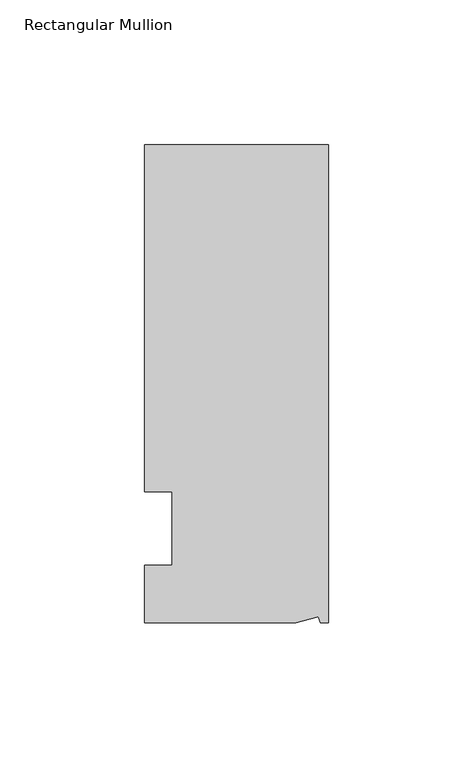
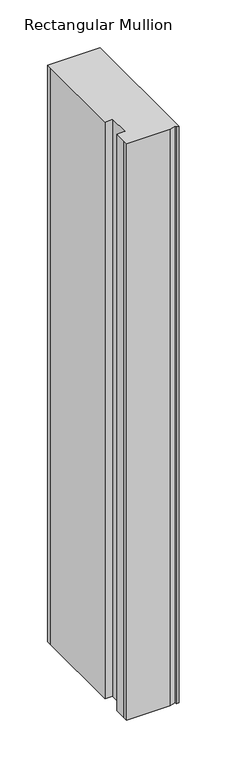
"""IFC4 building model written with IfcOpenShell, lengths in millimetres: member geometry, Rectangular Mullion."""

from ifc_helpers import new_model, si_unit, frame, origin, place, context, project, spatial, polyline, outline, extrude, source, transform, mapped, element, save


def rectangular_mullion_bd808522(model_context):
    return source(origin(), model_context, "Body", "SweptSolid", [
        extrude(outline(polyline([(0.0, 132.5561012), (0.0, -32.5438988), (-2.7616541, -32.5438988), (-3.3341886, -30.4622958), (-11.121847, -32.5438988), (-63.5, -32.5438988), (-63.5, -26.1938988), (-63.5, -12.5945801), (-53.975, -12.5945801), (-53.975, 12.8054199), (-63.5, 12.8054199), (-63.5, 126.2061012), (-63.5, 132.5561012), (0.0, 132.5561012)])), frame((0.0, 0.0, -736.6), z_axis=(0.0, 0.0, 1.0), x_axis=(1.0, 0.0, 0.0)), (0.0, 0.0, 1.0), 736.6),
    ])


if __name__ == "__main__":
    model = new_model("IFC4")
    model_context = context("Model", 3, world=origin())
    ifc_project = project(units=[si_unit("LENGTHUNIT", "METRE", prefix="MILLI")], contexts=[model_context])
    site = spatial("IfcSite", under=ifc_project)
    building = spatial("IfcBuilding", under=site)
    placement = place(None, origin())
    rectangular_mullion_shape = rectangular_mullion_bd808522(model_context)
    element("IfcMember", 1, ObjectType="Rectangular Mullion", at=placement, inside=building, context=model_context, shape_type="MappedRepresentation", body=[
        mapped(rectangular_mullion_shape, transform((0.0, 0.0, 0.0), x_axis=(1.0, 0.0, 0.0), y_axis=(0.0, 1.0, 0.0), z_axis=(0.0, 0.0, 1.0))),
    ])
    save(model, "model.ifc")
